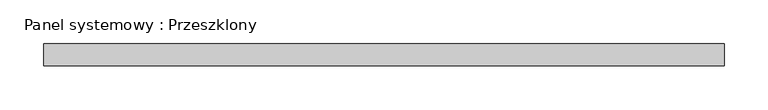
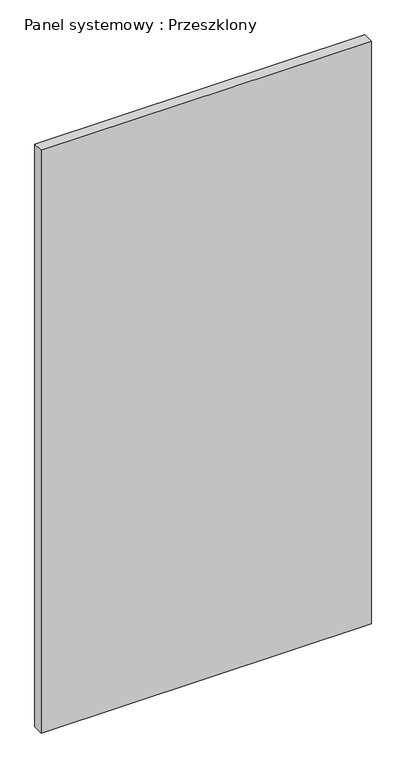
"""IFC4 building model written with IfcOpenShell, lengths in millimetres: plate geometry, Panel systemowy : Przeszklony."""

from ifc_helpers import new_model, si_unit, origin, origin_with_axes, place, context, project, spatial, polyline, outline, extrude, source, transform, mapped, element, save


def panel_systemowy_przeszklony_56312a59(model_context):
    return source(origin(), model_context, "Body", "SweptSolid", [
        extrude(outline(polyline([(389.0, 24.5), (-389.0, 24.5), (-389.0, 49.5), (389.0, 49.5), (389.0, 24.5)])), origin_with_axes(), (0.0, 0.0, 1.0), 1450.0),
    ])


if __name__ == "__main__":
    model = new_model("IFC4")
    model_context = context("Model", 3, world=origin())
    ifc_project = project(units=[si_unit("LENGTHUNIT", "METRE", prefix="MILLI")], contexts=[model_context])
    site = spatial("IfcSite", under=ifc_project)
    building = spatial("IfcBuilding", under=site)
    placement = place(None, origin())
    panel_systemowy_przeszklony_shape = panel_systemowy_przeszklony_56312a59(model_context)
    element("IfcPlate", 1, ObjectType="Panel systemowy : Przeszklony", at=placement, inside=building, context=model_context, shape_type="MappedRepresentation", body=[
        mapped(panel_systemowy_przeszklony_shape, transform((0.0, 0.0, 0.0), x_axis=(1.0, 0.0, 0.0), y_axis=(0.0, 1.0, 0.0), z_axis=(0.0, 0.0, 1.0))),
    ])
    save(model, "model.ifc")
